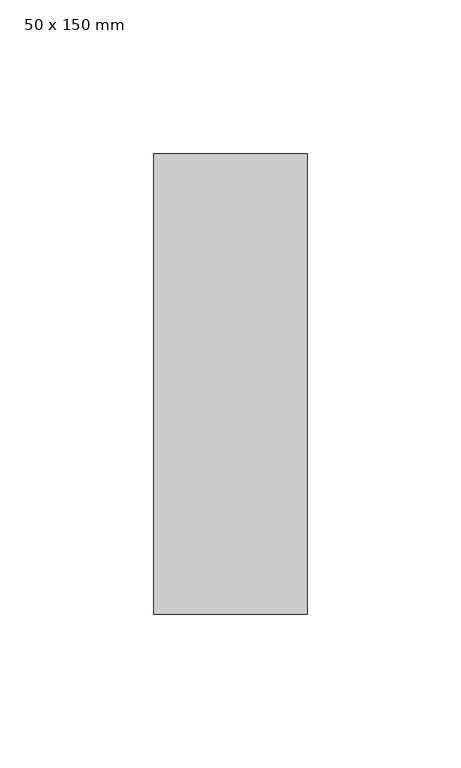
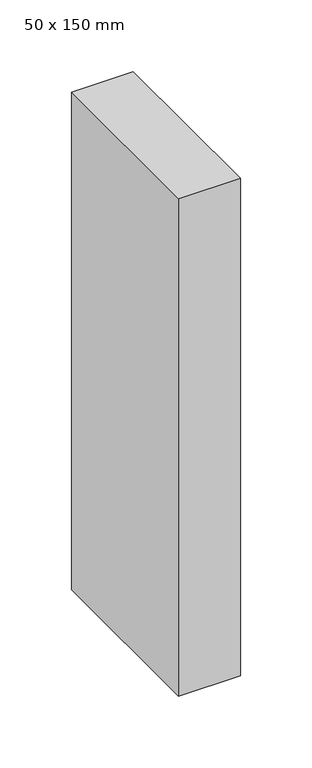
"""IFC4 building model written with IfcOpenShell, lengths in millimetres: member geometry, 50 x 150 mm."""

from ifc_helpers import new_model, si_unit, frame, origin, place, context, project, spatial, polyline, outline, extrude, source, transform, mapped, element, save


def member_50_x_150_mm_129a33a7(model_context):
    return source(origin(), model_context, "Body", "SweptSolid", [
        extrude(outline(polyline([(25.0, 75.0), (25.0, -75.0), (-25.0, -75.0), (-25.0, 75.0), (25.0, 75.0)])), frame((0.0, 0.0, -425.0), z_axis=(0.0, 0.0, 1.0), x_axis=(1.0, 0.0, 0.0)), (0.0, 0.0, 1.0), 425.0),
    ])


if __name__ == "__main__":
    model = new_model("IFC4")
    model_context = context("Model", 3, world=origin())
    ifc_project = project(units=[si_unit("LENGTHUNIT", "METRE", prefix="MILLI")], contexts=[model_context])
    site = spatial("IfcSite", under=ifc_project)
    building = spatial("IfcBuilding", under=site)
    placement = place(None, origin())
    member_50_x_150_mm_shape = member_50_x_150_mm_129a33a7(model_context)
    element("IfcMember", 1, ObjectType="50 x 150 mm", at=placement, inside=building, context=model_context, shape_type="MappedRepresentation", body=[
        mapped(member_50_x_150_mm_shape, transform((0.0, 0.0, 0.0), x_axis=(1.0, 0.0, 0.0), y_axis=(0.0, 1.0, 0.0), z_axis=(0.0, 0.0, 1.0))),
    ])
    save(model, "model.ifc")
